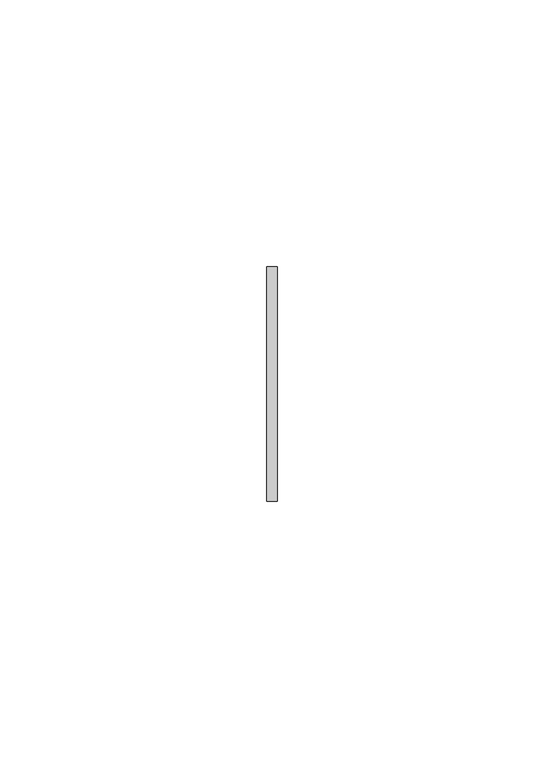
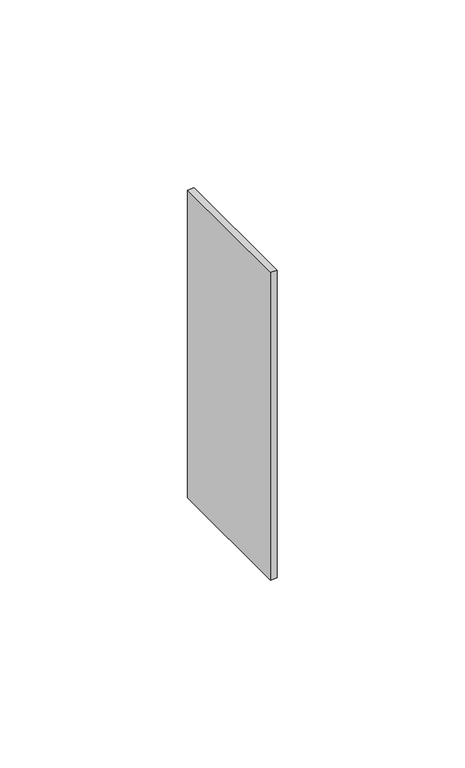
"""IFC4 building model written with IfcOpenShell, lengths in millimetres: member geometry."""

from ifc_helpers import new_model, si_unit, frame, origin, place, context, project, spatial, polyline, outline, extrude, source, transform, mapped, element, save


def member_73ba8efa(model_context):
    return source(origin(), model_context, "Body", "SweptSolid", [
        extrude(outline(polyline([(1.0, 22.0), (1.0, -22.0), (-1.0, -22.0), (-1.0, 22.0), (1.0, 22.0)])), frame((0.0, 0.0, -99.9999997), z_axis=(0.0, 0.0, 1.0), x_axis=(1.0, 0.0, 0.0)), (0.0, 0.0, 1.0), 99.9999997),
    ])


if __name__ == "__main__":
    model = new_model("IFC4")
    model_context = context("Model", 3, world=origin())
    ifc_project = project(units=[si_unit("LENGTHUNIT", "METRE", prefix="MILLI")], contexts=[model_context])
    site = spatial("IfcSite", under=ifc_project)
    building = spatial("IfcBuilding", under=site)
    placement = place(None, origin())
    member_shape = member_73ba8efa(model_context)
    element("IfcMember", 1, at=placement, inside=building, context=model_context, shape_type="MappedRepresentation", body=[
        mapped(member_shape, transform((0.0, 0.0, 0.0), x_axis=(1.0, 0.0, 0.0), y_axis=(0.0, 1.0, 0.0), z_axis=(0.0, 0.0, 1.0))),
    ])
    save(model, "model.ifc")
